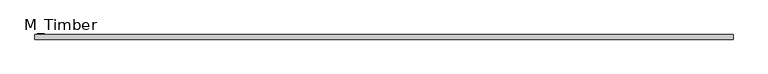
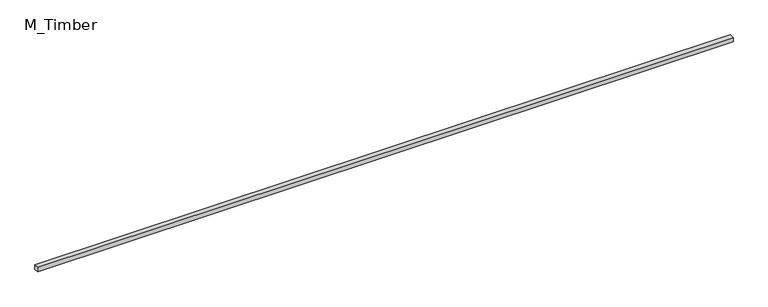
"""IFC4 building model written with IfcOpenShell, lengths in millimetres: beam geometry, M_Timber."""

from ifc_helpers import new_model, si_unit, frame, origin, place, context, project, spatial, polyline, outline, extrude, source, transform, mapped, element, save


def m_timber_9eff56ac(model_context):
    return source(origin(), model_context, "Body", "SweptSolid", [
        extrude(outline(polyline([(3020.0, 20.0), (3020.0, -20.0), (-3020.0, -20.0), (-3020.0, 20.0), (3020.0, 20.0)])), frame((0.0, 0.0, -20.0), z_axis=(0.0, 0.0, 1.0), x_axis=(1.0, 0.0, 0.0)), (0.0, 0.0, 1.0), 40.0),
    ])


if __name__ == "__main__":
    model = new_model("IFC4")
    model_context = context("Model", 3, world=origin())
    ifc_project = project(units=[si_unit("LENGTHUNIT", "METRE", prefix="MILLI")], contexts=[model_context])
    site = spatial("IfcSite", under=ifc_project)
    building = spatial("IfcBuilding", under=site)
    placement = place(None, origin())
    m_timber_shape = m_timber_9eff56ac(model_context)
    element("IfcBeam", 1, ObjectType="M_Timber", at=placement, inside=building, context=model_context, shape_type="MappedRepresentation", body=[
        mapped(m_timber_shape, transform((0.0, 0.0, 0.0), x_axis=(1.0, 0.0, 0.0), y_axis=(0.0, 1.0, 0.0), z_axis=(0.0, 0.0, 1.0))),
    ])
    save(model, "model.ifc")
